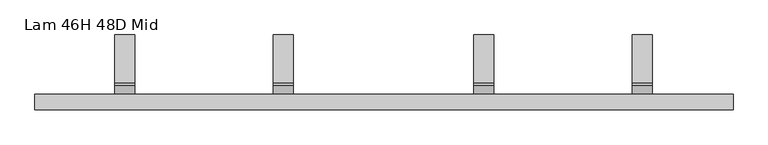
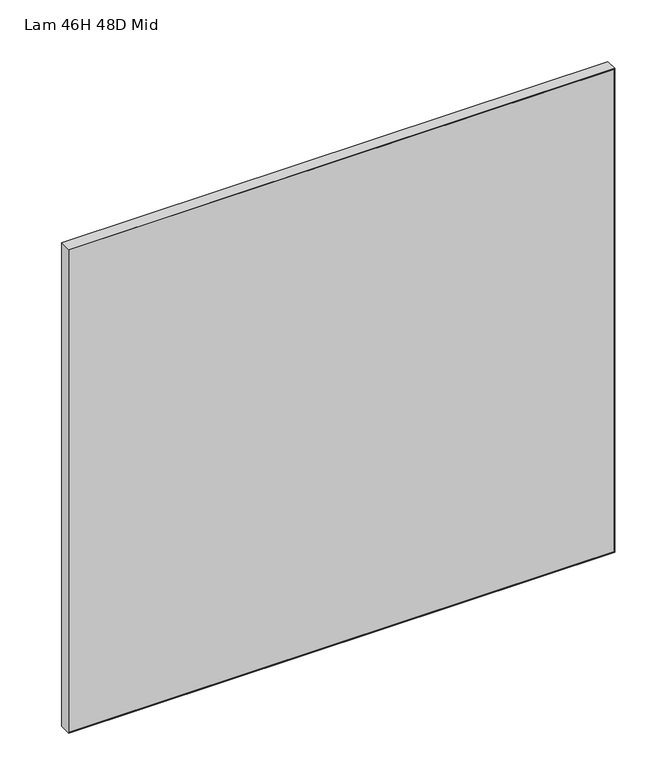
"""IFC4 building model written with IfcOpenShell, lengths in millimetres: furniture geometry, Lam 46H 48D Mid."""

from ifc_helpers import new_model, si_unit, frame, origin, place, context, project, spatial, polyline, circle_curve, outline, extrude, source, transform, mapped, element, save
from ifc_brep_helpers import plane_surface, cylinder_surface, revolved_surface, advanced_brep


def lam_46h_48d_mid_44cf86f9(model_context):
    return source(origin(), model_context, "Body", "SolidModel", [
        advanced_brep(
        [(-157.6695087, 3.1005365, 621.4122963), (-157.6695087, 17.9486513, 647.1299785), (-157.6695087, 20.0496387, 648.342984), (-157.6695087, 103.1999902, 648.342984), (-157.6695087, 103.1999902, 651.0029961), (-157.6695087, 20.2944088, 651.0029961), (-157.6695087, 15.5226447, 648.2480172), (-157.6695087, 0.6287378, 622.4510214), (-157.6695087, 0.0, 620.1045406), (-157.6695087, 0.0, 582.522256), (-157.6695087, 2.6599881, 582.522256), (-157.6695087, 2.6599881, 619.7681476), (-192.6695072, 3.1005365, 621.4122963), (-192.6695072, 2.6599881, 619.7681476), (-192.6695072, 2.6599881, 582.522256), (-192.6695072, 0.0, 582.522256), (-192.6695072, 0.0, 620.1045406), (-192.6695072, 0.6287378, 622.4510214), (-192.6695072, 15.5226447, 648.2480172), (-192.6695072, 20.2944088, 651.0029961), (-192.6695072, 103.1999902, 651.0029961), (-192.6695072, 103.1999902, 648.342984), (-192.6695072, 20.0496387, 648.342984), (-192.6695072, 17.9486513, 647.1299785)],
        [
            (0, 1),
            (1, 2, circle_curve(frame((-157.6695087, 20.0496387, 645.9169725), z_axis=(-1.0, 0.0, 0.0), x_axis=(0.0, 1.0, 0.0)), 2.4260115)),
            (2, 3),
            (3, 4),
            (4, 5),
            (5, 6, circle_curve(frame((-157.6695087, 20.2944088, 645.493037), z_axis=(1.0, 0.0, 0.0), x_axis=(0.0, 1.0, 0.0)), 5.509959)),
            (6, 7),
            (7, 8, circle_curve(frame((-157.6695087, 4.6929606, 620.1045406), z_axis=(1.0, 0.0, 0.0), x_axis=(0.0, 1.0, 0.0)), 4.6929606)),
            (8, 9),
            (9, 10),
            (10, 11),
            (11, 0, circle_curve(frame((-157.6695087, 5.9482846, 619.7681476), z_axis=(-1.0, 0.0, 0.0), x_axis=(0.0, 1.0, 0.0)), 3.2882966)),
            (12, 13, circle_curve(frame((-192.6695072, 5.9482846, 619.7681476), z_axis=(1.0, 0.0, 0.0), x_axis=(0.0, 1.0, 0.0)), 3.2882966)),
            (13, 14),
            (14, 15),
            (15, 16),
            (16, 17, circle_curve(frame((-192.6695072, 4.6929606, 620.1045406), z_axis=(-1.0, 0.0, 0.0), x_axis=(0.0, 1.0, 0.0)), 4.6929606)),
            (17, 18),
            (18, 19, circle_curve(frame((-192.6695072, 20.2944088, 645.493037), z_axis=(-1.0, 0.0, 0.0), x_axis=(0.0, 1.0, 0.0)), 5.509959)),
            (19, 20),
            (20, 21),
            (21, 22),
            (22, 23, circle_curve(frame((-192.6695072, 20.0496387, 645.9169725), z_axis=(1.0, 0.0, 0.0), x_axis=(0.0, 1.0, 0.0)), 2.4260115)),
            (23, 12),
            (0, 12),
            (23, 1),
            (22, 2),
            (21, 3),
            (20, 4),
            (19, 5),
            (18, 6),
            (17, 7),
            (16, 8),
            (15, 9, circle_curve(frame((-175.169508, 0.0, 582.522256), z_axis=(0.0, -1.0, 0.0), x_axis=(1.0, 0.0, 0.0)), 17.4999992)),
            (13, 11),
            (10, 14, circle_curve(frame((-175.169508, 2.6599881, 582.522256), z_axis=(0.0, 1.0, 0.0), x_axis=(1.0, 0.0, 0.0)), 17.4999992)),
        ],
        [
            plane_surface(frame((-157.6695087, 17.9734882, 647.1729973), z_axis=(1.0000000000000002, 0.0, 0.0), x_axis=(0.0, 0.5000001014675702, 0.8660253452021018))),
            plane_surface(frame((-192.6695072, 17.9734882, 647.1729973), z_axis=(-1.0000000000000002, 0.0, 0.0), x_axis=(0.0, -0.5000001014675702, -0.8660253452021018))),
            plane_surface(frame((-157.6695087, 3.1005365, 621.4122963), z_axis=(0.0, 0.8660253452021018, -0.5000001014675702), x_axis=(-1.0, 0.0, 0.0))),
            revolved_surface(polyline([(-192.6695072, 22.4756502, 645.9169725), (-157.6695087, 22.4756502, 645.9169725)]), (-192.6695072, 20.0496387, 645.9169725), (-1.0, 0.0, 0.0)),
            plane_surface(frame((-157.6695087, 20.0496387, 648.342984), z_axis=(0.0, 0.0, -1.0), x_axis=(-1.0, 0.0, 0.0))),
            plane_surface(frame((-157.6695087, 103.1999902, 648.342984), z_axis=(0.0, 1.0, 0.0), x_axis=(-1.0, 0.0, 0.0))),
            plane_surface(frame((-157.6695087, 103.1999902, 651.0029961), z_axis=(0.0, 0.0, 1.0), x_axis=(-1.0, 0.0, 0.0))),
            cylinder_surface(frame((-192.6695072, 20.2944088, 645.493037), z_axis=(1.0, 0.0, 0.0), x_axis=(0.0, 1.0, 0.0)), 5.509959),
            plane_surface(frame((-157.6695087, 15.5226447, 648.2480172), z_axis=(0.0, -0.8660253393122759, 0.500000111669045), x_axis=(-1.0, 0.0, 0.0))),
            cylinder_surface(frame((-192.6695072, 4.6929606, 620.1045406), z_axis=(1.0, 0.0, 0.0), x_axis=(0.0, 1.0, 0.0)), 4.6929606),
            plane_surface(frame((-157.6695087, 0.0, 620.1045406), z_axis=(0.0, -1.0, 0.0), x_axis=(-1.0, 0.0, 0.0))),
            plane_surface(frame((-157.6695087, 2.6599881, 565.0222341), z_axis=(0.0, 1.0, 0.0), x_axis=(-1.0, 0.0, 0.0))),
            revolved_surface(polyline([(-192.6695072, 9.2365812, 619.7681476), (-157.6695087, 9.2365812, 619.7681476)]), (-192.6695072, 5.9482846, 619.7681476), (-1.0, 0.0, 0.0)),
            cylinder_surface(frame((-175.169508, 3.1750001, 582.522256), z_axis=(0.0, 1.0, 0.0), x_axis=(1.0, 0.0, 0.0)), 17.4999992),
        ],
        [
            (0, [[1, 2, 3, 4, 5, 6, 7, 8, 9, 10, 11, 12]]),
            (1, [[13, 14, 15, 16, 17, 18, 19, 20, 21, 22, 23, 24]]),
            (2, [[-1, 25, -24, 26]]),
            (3, [[-2, -26, -23, 27]]),
            (4, [[-3, -27, -22, 28]]),
            (5, [[-4, -28, -21, 29]]),
            (6, [[-5, -29, -20, 30]]),
            (7, [[-6, -30, -19, 31]]),
            (8, [[-7, -31, -18, 32]]),
            (9, [[-8, -32, -17, 33]]),
            (10, [[-33, -16, 34, -9]]),
            (11, [[35, -11, 36, -14]]),
            (12, [[-12, -35, -13, -25]]),
            (13, [[-10, -34, -15, -36]]),
        ],
    ),
        advanced_brep(
        [(190.9931097, 3.1005365, 621.4122963), (190.9931097, 17.9486513, 647.1299785), (190.9931097, 20.0496387, 648.342984), (190.9931097, 103.1999902, 648.342984), (190.9931097, 103.1999902, 651.0029961), (190.9931097, 20.2944088, 651.0029961), (190.9931097, 15.5226447, 648.2480172), (190.9931097, 0.6287378, 622.4510214), (190.9931097, 0.0, 620.1045406), (190.9931097, 0.0, 582.522256), (190.9931097, 2.6599881, 582.522256), (190.9931097, 2.6599881, 619.7681476), (155.9931112, 3.1005365, 621.4122963), (155.9931112, 2.6599881, 619.7681476), (155.9931112, 2.6599881, 582.522256), (155.9931112, 0.0, 582.522256), (155.9931112, 0.0, 620.1045406), (155.9931112, 0.6287378, 622.4510214), (155.9931112, 15.5226447, 648.2480172), (155.9931112, 20.2944088, 651.0029961), (155.9931112, 103.1999902, 651.0029961), (155.9931112, 103.1999902, 648.342984), (155.9931112, 20.0496387, 648.342984), (155.9931112, 17.9486513, 647.1299785)],
        [
            (0, 1),
            (1, 2, circle_curve(frame((190.9931097, 20.0496387, 645.9169725), z_axis=(-1.0, 0.0, 0.0), x_axis=(0.0, 1.0, 0.0)), 2.4260115)),
            (2, 3),
            (3, 4),
            (4, 5),
            (5, 6, circle_curve(frame((190.9931097, 20.2944088, 645.493037), z_axis=(1.0, 0.0, 0.0), x_axis=(0.0, 1.0, 0.0)), 5.509959)),
            (6, 7),
            (7, 8, circle_curve(frame((190.9931097, 4.6929606, 620.1045406), z_axis=(1.0, 0.0, 0.0), x_axis=(0.0, 1.0, 0.0)), 4.6929606)),
            (8, 9),
            (9, 10),
            (10, 11),
            (11, 0, circle_curve(frame((190.9931097, 5.9482846, 619.7681476), z_axis=(-1.0, 0.0, 0.0), x_axis=(0.0, 1.0, 0.0)), 3.2882966)),
            (12, 13, circle_curve(frame((155.9931112, 5.9482846, 619.7681476), z_axis=(1.0, 0.0, 0.0), x_axis=(0.0, 1.0, 0.0)), 3.2882966)),
            (13, 14),
            (14, 15),
            (15, 16),
            (16, 17, circle_curve(frame((155.9931112, 4.6929606, 620.1045406), z_axis=(-1.0, 0.0, 0.0), x_axis=(0.0, 1.0, 0.0)), 4.6929606)),
            (17, 18),
            (18, 19, circle_curve(frame((155.9931112, 20.2944088, 645.493037), z_axis=(-1.0, 0.0, 0.0), x_axis=(0.0, 1.0, 0.0)), 5.509959)),
            (19, 20),
            (20, 21),
            (21, 22),
            (22, 23, circle_curve(frame((155.9931112, 20.0496387, 645.9169725), z_axis=(1.0, 0.0, 0.0), x_axis=(0.0, 1.0, 0.0)), 2.4260115)),
            (23, 12),
            (0, 12),
            (23, 1),
            (22, 2),
            (21, 3),
            (20, 4),
            (19, 5),
            (18, 6),
            (17, 7),
            (16, 8),
            (15, 9, circle_curve(frame((173.4931105, 0.0, 582.522256), z_axis=(0.0, -1.0, 0.0), x_axis=(1.0, 0.0, 0.0)), 17.4999992)),
            (13, 11),
            (10, 14, circle_curve(frame((173.4931105, 2.6599881, 582.522256), z_axis=(0.0, 1.0, 0.0), x_axis=(1.0, 0.0, 0.0)), 17.4999992)),
        ],
        [
            plane_surface(frame((190.9931097, 17.9734882, 647.1729973), z_axis=(1.0000000000000002, 0.0, 0.0), x_axis=(0.0, 0.5000001014675702, 0.8660253452021018))),
            plane_surface(frame((155.9931112, 17.9734882, 647.1729973), z_axis=(-1.0000000000000002, 0.0, 0.0), x_axis=(0.0, -0.5000001014675702, -0.8660253452021018))),
            plane_surface(frame((190.9931097, 3.1005365, 621.4122963), z_axis=(0.0, 0.8660253452021018, -0.5000001014675702), x_axis=(-1.0, 0.0, 0.0))),
            revolved_surface(polyline([(155.9931112, 22.4756502, 645.9169725), (190.9931097, 22.4756502, 645.9169725)]), (155.9931112, 20.0496387, 645.9169725), (-1.0, 0.0, 0.0)),
            plane_surface(frame((190.9931097, 20.0496387, 648.342984), z_axis=(0.0, 0.0, -1.0), x_axis=(-1.0, 0.0, 0.0))),
            plane_surface(frame((190.9931097, 103.1999902, 648.342984), z_axis=(0.0, 1.0, 0.0), x_axis=(-1.0, 0.0, 0.0))),
            plane_surface(frame((190.9931097, 103.1999902, 651.0029961), z_axis=(0.0, 0.0, 1.0), x_axis=(-1.0, 0.0, 0.0))),
            cylinder_surface(frame((155.9931112, 20.2944088, 645.493037), z_axis=(1.0, 0.0, 0.0), x_axis=(0.0, 1.0, 0.0)), 5.509959),
            plane_surface(frame((190.9931097, 15.5226447, 648.2480172), z_axis=(0.0, -0.8660253393122759, 0.500000111669045), x_axis=(-1.0, 0.0, 0.0))),
            cylinder_surface(frame((155.9931112, 4.6929606, 620.1045406), z_axis=(1.0, 0.0, 0.0), x_axis=(0.0, 1.0, 0.0)), 4.6929606),
            plane_surface(frame((190.9931097, 0.0, 620.1045406), z_axis=(0.0, -1.0, 0.0), x_axis=(-1.0, 0.0, 0.0))),
            plane_surface(frame((190.9931097, 2.6599881, 565.0222341), z_axis=(0.0, 1.0, 0.0), x_axis=(-1.0, 0.0, 0.0))),
            revolved_surface(polyline([(155.9931112, 9.2365812, 619.7681476), (190.9931097, 9.2365812, 619.7681476)]), (155.9931112, 5.9482846, 619.7681476), (-1.0, 0.0, 0.0)),
            cylinder_surface(frame((173.4931105, 3.1750001, 582.522256), z_axis=(0.0, 1.0, 0.0), x_axis=(1.0, 0.0, 0.0)), 17.4999992),
        ],
        [
            (0, [[1, 2, 3, 4, 5, 6, 7, 8, 9, 10, 11, 12]]),
            (1, [[13, 14, 15, 16, 17, 18, 19, 20, 21, 22, 23, 24]]),
            (2, [[-1, 25, -24, 26]]),
            (3, [[-2, -26, -23, 27]]),
            (4, [[-3, -27, -22, 28]]),
            (5, [[-4, -28, -21, 29]]),
            (6, [[-5, -29, -20, 30]]),
            (7, [[-6, -30, -19, 31]]),
            (8, [[-7, -31, -18, 32]]),
            (9, [[-8, -32, -17, 33]]),
            (10, [[-33, -16, 34, -9]]),
            (11, [[35, -11, 36, -14]]),
            (12, [[-12, -35, -13, -25]]),
            (13, [[-10, -34, -15, -36]]),
        ],
    ),
        advanced_brep(
        [(466.2021097, 3.1005365, 621.4122963), (466.2021097, 17.9486513, 647.1299785), (466.2021097, 20.0496387, 648.342984), (466.2021097, 103.1999902, 648.342984), (466.2021097, 103.1999902, 651.0029961), (466.2021097, 20.2944088, 651.0029961), (466.2021097, 15.5226447, 648.2480172), (466.2021097, 0.6287378, 622.4510214), (466.2021097, 0.0, 620.1045406), (466.2021097, 0.0, 582.522256), (466.2021097, 2.6599881, 582.522256), (466.2021097, 2.6599881, 619.7681476), (431.2021112, 3.1005365, 621.4122963), (431.2021112, 2.6599881, 619.7681476), (431.2021112, 2.6599881, 582.522256), (431.2021112, 0.0, 582.522256), (431.2021112, 0.0, 620.1045406), (431.2021112, 0.6287378, 622.4510214), (431.2021112, 15.5226447, 648.2480172), (431.2021112, 20.2944088, 651.0029961), (431.2021112, 103.1999902, 651.0029961), (431.2021112, 103.1999902, 648.342984), (431.2021112, 20.0496387, 648.342984), (431.2021112, 17.9486513, 647.1299785)],
        [
            (0, 1),
            (1, 2, circle_curve(frame((466.2021097, 20.0496387, 645.9169725), z_axis=(-1.0, 0.0, 0.0), x_axis=(0.0, 1.0, 0.0)), 2.4260115)),
            (2, 3),
            (3, 4),
            (4, 5),
            (5, 6, circle_curve(frame((466.2021097, 20.2944088, 645.493037), z_axis=(1.0, 0.0, 0.0), x_axis=(0.0, 1.0, 0.0)), 5.509959)),
            (6, 7),
            (7, 8, circle_curve(frame((466.2021097, 4.6929606, 620.1045406), z_axis=(1.0, 0.0, 0.0), x_axis=(0.0, 1.0, 0.0)), 4.6929606)),
            (8, 9),
            (9, 10),
            (10, 11),
            (11, 0, circle_curve(frame((466.2021097, 5.9482846, 619.7681476), z_axis=(-1.0, 0.0, 0.0), x_axis=(0.0, 1.0, 0.0)), 3.2882966)),
            (12, 13, circle_curve(frame((431.2021112, 5.9482846, 619.7681476), z_axis=(1.0, 0.0, 0.0), x_axis=(0.0, 1.0, 0.0)), 3.2882966)),
            (13, 14),
            (14, 15),
            (15, 16),
            (16, 17, circle_curve(frame((431.2021112, 4.6929606, 620.1045406), z_axis=(-1.0, 0.0, 0.0), x_axis=(0.0, 1.0, 0.0)), 4.6929606)),
            (17, 18),
            (18, 19, circle_curve(frame((431.2021112, 20.2944088, 645.493037), z_axis=(-1.0, 0.0, 0.0), x_axis=(0.0, 1.0, 0.0)), 5.509959)),
            (19, 20),
            (20, 21),
            (21, 22),
            (22, 23, circle_curve(frame((431.2021112, 20.0496387, 645.9169725), z_axis=(1.0, 0.0, 0.0), x_axis=(0.0, 1.0, 0.0)), 2.4260115)),
            (23, 12),
            (0, 12),
            (23, 1),
            (22, 2),
            (21, 3),
            (20, 4),
            (19, 5),
            (18, 6),
            (17, 7),
            (16, 8),
            (15, 9, circle_curve(frame((448.7021105, 0.0, 582.522256), z_axis=(0.0, -1.0, 0.0), x_axis=(1.0, 0.0, 0.0)), 17.4999992)),
            (13, 11),
            (10, 14, circle_curve(frame((448.7021105, 2.6599881, 582.522256), z_axis=(0.0, 1.0, 0.0), x_axis=(1.0, 0.0, 0.0)), 17.4999992)),
        ],
        [
            plane_surface(frame((466.2021097, 17.9734882, 647.1729973), z_axis=(1.0000000000000002, 0.0, 0.0), x_axis=(0.0, 0.5000001014675702, 0.8660253452021018))),
            plane_surface(frame((431.2021112, 17.9734882, 647.1729973), z_axis=(-1.0000000000000002, 0.0, 0.0), x_axis=(0.0, -0.5000001014675702, -0.8660253452021018))),
            plane_surface(frame((466.2021097, 3.1005365, 621.4122963), z_axis=(0.0, 0.8660253452021018, -0.5000001014675702), x_axis=(-1.0, 0.0, 0.0))),
            revolved_surface(polyline([(431.2021112, 22.4756502, 645.9169725), (466.2021097, 22.4756502, 645.9169725)]), (431.2021112, 20.0496387, 645.9169725), (-1.0, 0.0, 0.0)),
            plane_surface(frame((466.2021097, 20.0496387, 648.342984), z_axis=(0.0, 0.0, -1.0), x_axis=(-1.0, 0.0, 0.0))),
            plane_surface(frame((466.2021097, 103.1999902, 648.342984), z_axis=(0.0, 1.0, 0.0), x_axis=(-1.0, 0.0, 0.0))),
            plane_surface(frame((466.2021097, 103.1999902, 651.0029961), z_axis=(0.0, 0.0, 1.0), x_axis=(-1.0, 0.0, 0.0))),
            cylinder_surface(frame((431.2021112, 20.2944088, 645.493037), z_axis=(1.0, 0.0, 0.0), x_axis=(0.0, 1.0, 0.0)), 5.509959),
            plane_surface(frame((466.2021097, 15.5226447, 648.2480172), z_axis=(0.0, -0.8660253393122759, 0.500000111669045), x_axis=(-1.0, 0.0, 0.0))),
            cylinder_surface(frame((431.2021112, 4.6929606, 620.1045406), z_axis=(1.0, 0.0, 0.0), x_axis=(0.0, 1.0, 0.0)), 4.6929606),
            plane_surface(frame((466.2021097, 0.0, 620.1045406), z_axis=(0.0, -1.0, 0.0), x_axis=(-1.0, 0.0, 0.0))),
            plane_surface(frame((466.2021097, 2.6599881, 565.0222341), z_axis=(0.0, 1.0, 0.0), x_axis=(-1.0, 0.0, 0.0))),
            revolved_surface(polyline([(431.2021112, 9.2365812, 619.7681476), (466.2021097, 9.2365812, 619.7681476)]), (431.2021112, 5.9482846, 619.7681476), (-1.0, 0.0, 0.0)),
            cylinder_surface(frame((448.7021105, 3.1750001, 582.522256), z_axis=(0.0, 1.0, 0.0), x_axis=(1.0, 0.0, 0.0)), 17.4999992),
        ],
        [
            (0, [[1, 2, 3, 4, 5, 6, 7, 8, 9, 10, 11, 12]]),
            (1, [[13, 14, 15, 16, 17, 18, 19, 20, 21, 22, 23, 24]]),
            (2, [[-1, 25, -24, 26]]),
            (3, [[-2, -26, -23, 27]]),
            (4, [[-3, -27, -22, 28]]),
            (5, [[-4, -28, -21, 29]]),
            (6, [[-5, -29, -20, 30]]),
            (7, [[-6, -30, -19, 31]]),
            (8, [[-7, -31, -18, 32]]),
            (9, [[-8, -32, -17, 33]]),
            (10, [[-33, -16, 34, -9]]),
            (11, [[35, -11, 36, -14]]),
            (12, [[-12, -35, -13, -25]]),
            (13, [[-10, -34, -15, -36]]),
        ],
    ),
        advanced_brep(
        [(-432.8785087, 3.1005365, 621.4122963), (-432.8785087, 17.9486513, 647.1299785), (-432.8785087, 20.0496387, 648.342984), (-432.8785087, 103.1999902, 648.342984), (-432.8785087, 103.1999902, 651.0029961), (-432.8785087, 20.2944088, 651.0029961), (-432.8785087, 15.5226447, 648.2480172), (-432.8785087, 0.6287378, 622.4510214), (-432.8785087, 0.0, 620.1045406), (-432.8785087, 0.0, 582.522256), (-432.8785087, 2.6599881, 582.522256), (-432.8785087, 2.6599881, 619.7681476), (-467.8785072, 3.1005365, 621.4122963), (-467.8785072, 2.6599881, 619.7681476), (-467.8785072, 2.6599881, 582.522256), (-467.8785072, 0.0, 582.522256), (-467.8785072, 0.0, 620.1045406), (-467.8785072, 0.6287378, 622.4510214), (-467.8785072, 15.5226447, 648.2480172), (-467.8785072, 20.2944088, 651.0029961), (-467.8785072, 103.1999902, 651.0029961), (-467.8785072, 103.1999902, 648.342984), (-467.8785072, 20.0496387, 648.342984), (-467.8785072, 17.9486513, 647.1299785)],
        [
            (0, 1),
            (1, 2, circle_curve(frame((-432.8785087, 20.0496387, 645.9169725), z_axis=(-1.0, 0.0, 0.0), x_axis=(0.0, 1.0, 0.0)), 2.4260115)),
            (2, 3),
            (3, 4),
            (4, 5),
            (5, 6, circle_curve(frame((-432.8785087, 20.2944088, 645.493037), z_axis=(1.0, 0.0, 0.0), x_axis=(0.0, 1.0, 0.0)), 5.509959)),
            (6, 7),
            (7, 8, circle_curve(frame((-432.8785087, 4.6929606, 620.1045406), z_axis=(1.0, 0.0, 0.0), x_axis=(0.0, 1.0, 0.0)), 4.6929606)),
            (8, 9),
            (9, 10),
            (10, 11),
            (11, 0, circle_curve(frame((-432.8785087, 5.9482846, 619.7681476), z_axis=(-1.0, 0.0, 0.0), x_axis=(0.0, 1.0, 0.0)), 3.2882966)),
            (12, 13, circle_curve(frame((-467.8785072, 5.9482846, 619.7681476), z_axis=(1.0, 0.0, 0.0), x_axis=(0.0, 1.0, 0.0)), 3.2882966)),
            (13, 14),
            (14, 15),
            (15, 16),
            (16, 17, circle_curve(frame((-467.8785072, 4.6929606, 620.1045406), z_axis=(-1.0, 0.0, 0.0), x_axis=(0.0, 1.0, 0.0)), 4.6929606)),
            (17, 18),
            (18, 19, circle_curve(frame((-467.8785072, 20.2944088, 645.493037), z_axis=(-1.0, 0.0, 0.0), x_axis=(0.0, 1.0, 0.0)), 5.509959)),
            (19, 20),
            (20, 21),
            (21, 22),
            (22, 23, circle_curve(frame((-467.8785072, 20.0496387, 645.9169725), z_axis=(1.0, 0.0, 0.0), x_axis=(0.0, 1.0, 0.0)), 2.4260115)),
            (23, 12),
            (0, 12),
            (23, 1),
            (22, 2),
            (21, 3),
            (20, 4),
            (19, 5),
            (18, 6),
            (17, 7),
            (16, 8),
            (15, 9, circle_curve(frame((-450.378508, 0.0, 582.522256), z_axis=(0.0, -1.0, 0.0), x_axis=(1.0, 0.0, 0.0)), 17.4999992)),
            (13, 11),
            (10, 14, circle_curve(frame((-450.378508, 2.6599881, 582.522256), z_axis=(0.0, 1.0, 0.0), x_axis=(1.0, 0.0, 0.0)), 17.4999992)),
        ],
        [
            plane_surface(frame((-432.8785087, 17.9734882, 647.1729973), z_axis=(1.0000000000000002, 0.0, 0.0), x_axis=(0.0, 0.5000001014675702, 0.8660253452021018))),
            plane_surface(frame((-467.8785072, 17.9734882, 647.1729973), z_axis=(-1.0000000000000002, 0.0, 0.0), x_axis=(0.0, -0.5000001014675702, -0.8660253452021018))),
            plane_surface(frame((-432.8785087, 3.1005365, 621.4122963), z_axis=(0.0, 0.8660253452021018, -0.5000001014675702), x_axis=(-1.0, 0.0, 0.0))),
            revolved_surface(polyline([(-467.8785072, 22.4756502, 645.9169725), (-432.8785087, 22.4756502, 645.9169725)]), (-467.8785072, 20.0496387, 645.9169725), (-1.0, 0.0, 0.0)),
            plane_surface(frame((-432.8785087, 20.0496387, 648.342984), z_axis=(0.0, 0.0, -1.0), x_axis=(-1.0, 0.0, 0.0))),
            plane_surface(frame((-432.8785087, 103.1999902, 648.342984), z_axis=(0.0, 1.0, 0.0), x_axis=(-1.0, 0.0, 0.0))),
            plane_surface(frame((-432.8785087, 103.1999902, 651.0029961), z_axis=(0.0, 0.0, 1.0), x_axis=(-1.0, 0.0, 0.0))),
            cylinder_surface(frame((-467.8785072, 20.2944088, 645.493037), z_axis=(1.0, 0.0, 0.0), x_axis=(0.0, 1.0, 0.0)), 5.509959),
            plane_surface(frame((-432.8785087, 15.5226447, 648.2480172), z_axis=(0.0, -0.8660253393122759, 0.500000111669045), x_axis=(-1.0, 0.0, 0.0))),
            cylinder_surface(frame((-467.8785072, 4.6929606, 620.1045406), z_axis=(1.0, 0.0, 0.0), x_axis=(0.0, 1.0, 0.0)), 4.6929606),
            plane_surface(frame((-432.8785087, 0.0, 620.1045406), z_axis=(0.0, -1.0, 0.0), x_axis=(-1.0, 0.0, 0.0))),
            plane_surface(frame((-432.8785087, 2.6599881, 565.0222341), z_axis=(0.0, 1.0, 0.0), x_axis=(-1.0, 0.0, 0.0))),
            revolved_surface(polyline([(-467.8785072, 9.2365812, 619.7681476), (-432.8785087, 9.2365812, 619.7681476)]), (-467.8785072, 5.9482846, 619.7681476), (-1.0, 0.0, 0.0)),
            cylinder_surface(frame((-450.378508, 3.1750001, 582.522256), z_axis=(0.0, 1.0, 0.0), x_axis=(1.0, 0.0, 0.0)), 17.4999992),
        ],
        [
            (0, [[1, 2, 3, 4, 5, 6, 7, 8, 9, 10, 11, 12]]),
            (1, [[13, 14, 15, 16, 17, 18, 19, 20, 21, 22, 23, 24]]),
            (2, [[-1, 25, -24, 26]]),
            (3, [[-2, -26, -23, 27]]),
            (4, [[-3, -27, -22, 28]]),
            (5, [[-4, -28, -21, 29]]),
            (6, [[-5, -29, -20, 30]]),
            (7, [[-6, -30, -19, 31]]),
            (8, [[-7, -31, -18, 32]]),
            (9, [[-8, -32, -17, 33]]),
            (10, [[-33, -16, 34, -9]]),
            (11, [[35, -11, 36, -14]]),
            (12, [[-12, -35, -13, -25]]),
            (13, [[-10, -34, -15, -36]]),
        ],
    ),
        extrude(outline(polyline([(13.9700003, -606.425), (13.9700003, 606.425), (1148.3340003, 606.425), (1148.3340003, -606.425), (13.9700003, -606.425)]), holes=[polyline([(1146.7338003, -604.8248), (1146.7338003, 604.8248), (15.5702003, 604.8248), (15.5702003, -604.8248), (1146.7338003, -604.8248)])]), frame((0.0, -26.670001, 0.0), z_axis=(0.0, 1.0, 0.0), x_axis=(0.0, 0.0, 1.0)), (0.0, 0.0, 1.0), 26.670001),
        extrude(outline(polyline([(604.8248, 0.0), (604.8248, -26.670001), (-604.8248, -26.670001), (-604.8248, 0.0), (604.8248, 0.0)])), frame((0.0, 0.0, 15.5702003), z_axis=(0.0, 0.0, 1.0), x_axis=(1.0, 0.0, 0.0)), (0.0, 0.0, 1.0), 1131.1636),
    ])


if __name__ == "__main__":
    model = new_model("IFC4")
    model_context = context("Model", 3, world=origin())
    ifc_project = project(units=[si_unit("LENGTHUNIT", "METRE", prefix="MILLI")], contexts=[model_context])
    site = spatial("IfcSite", under=ifc_project)
    building = spatial("IfcBuilding", under=site)
    placement = place(None, origin())
    lam_46h_48d_mid_shape = lam_46h_48d_mid_44cf86f9(model_context)
    element("IfcFurniture", 1, ObjectType="Lam 46H 48D Mid", at=placement, inside=building, context=model_context, shape_type="MappedRepresentation", body=[
        mapped(lam_46h_48d_mid_shape, transform((0.0, 0.0, 0.0), x_axis=(1.0, 0.0, 0.0), y_axis=(0.0, 1.0, 0.0), z_axis=(0.0, 0.0, 1.0))),
    ])
    save(model, "model.ifc")
